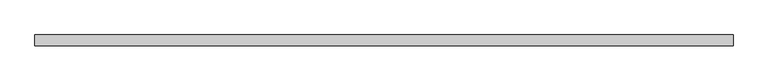
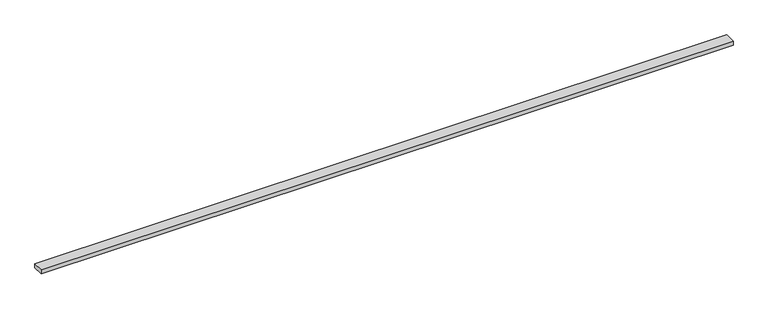
"""IFC4 building model written with IfcOpenShell, lengths in millimetres: beam geometry."""

from ifc_helpers import new_model, si_unit, frame, origin, place, context, project, spatial, polyline, outline, extrude, source, transform, mapped, element, save


def beam_7438f8ce(model_context):
    return source(origin(), model_context, "Body", "SweptSolid", [
        extrude(outline(polyline([(2259.2, -35.0), (-2259.2, -35.0), (-2259.2, 35.0), (2259.2, 35.0), (2259.2, -35.0)])), frame((0.0, 0.0, -14.0), z_axis=(0.0, 0.0, 1.0), x_axis=(1.0, 0.0, 0.0)), (0.0, 0.0, 1.0), 28.0),
    ])


if __name__ == "__main__":
    model = new_model("IFC4")
    model_context = context("Model", 3, world=origin())
    ifc_project = project(units=[si_unit("LENGTHUNIT", "METRE", prefix="MILLI")], contexts=[model_context])
    site = spatial("IfcSite", under=ifc_project)
    building = spatial("IfcBuilding", under=site)
    placement = place(None, origin())
    beam_shape = beam_7438f8ce(model_context)
    element("IfcBeam", 1, at=placement, inside=building, context=model_context, shape_type="MappedRepresentation", body=[
        mapped(beam_shape, transform((0.0, 0.0, 0.0), x_axis=(1.0, 0.0, 0.0), y_axis=(0.0, 1.0, 0.0), z_axis=(0.0, 0.0, 1.0))),
    ])
    save(model, "model.ifc")
